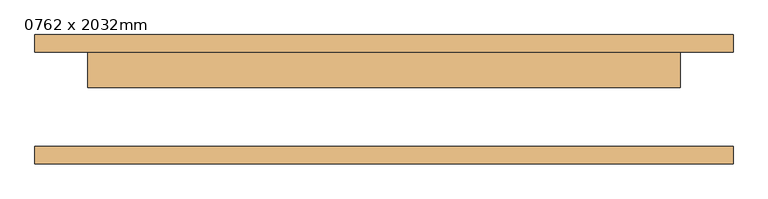
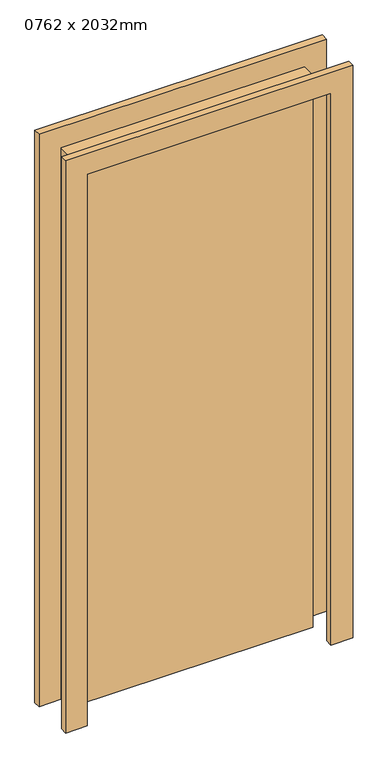
"""IFC4 building model written with IfcOpenShell, lengths in millimetres: door geometry, 0762 x 2032mm."""

from ifc_helpers import new_model, si_unit, frame, origin, origin_with_axes, place, context, project, spatial, polyline, outline, extrude, source, transform, mapped, element, save


def door_0762_x_2032mm_4b249b87(model_context):
    return source(origin(), model_context, "Body", "SweptSolid", [
        extrude(outline(polyline([(2108.0, -501.0), (0.0, -501.0), (0.0, -425.0), (2032.0, -425.0), (2032.0, 425.0), (0.0, 425.0), (0.0, 501.0), (2108.0, 501.0), (2108.0, -501.0)])), frame((0.0, 67.75, 0.0), z_axis=(0.0, 1.0, 0.0), x_axis=(0.0, 0.0, 1.0)), (0.0, 0.0, 1.0), 25.0),
        extrude(outline(polyline([(2108.0, 501.0), (2108.0, -501.0), (0.0, -501.0), (0.0, -425.0), (2032.0, -425.0), (2032.0, 425.0), (0.0, 425.0), (0.0, 501.0), (2108.0, 501.0)])), frame((0.0, -92.75, 0.0), z_axis=(0.0, 1.0, 0.0), x_axis=(0.0, 0.0, 1.0)), (0.0, 0.0, 1.0), 25.0),
        extrude(outline(polyline([(425.0, 16.75), (-425.0, 16.75), (-425.0, 67.75), (425.0, 67.75), (425.0, 16.75)])), origin_with_axes(), (0.0, 0.0, 1.0), 2032.0),
    ])


if __name__ == "__main__":
    model = new_model("IFC4")
    model_context = context("Model", 3, world=origin())
    ifc_project = project(units=[si_unit("LENGTHUNIT", "METRE", prefix="MILLI")], contexts=[model_context])
    site = spatial("IfcSite", under=ifc_project)
    building = spatial("IfcBuilding", under=site)
    placement = place(None, origin())
    door_0762_x_2032mm_shape = door_0762_x_2032mm_4b249b87(model_context)
    element("IfcDoor", 1, ObjectType="0762 x 2032mm", at=placement, inside=building, context=model_context, shape_type="MappedRepresentation", body=[
        mapped(door_0762_x_2032mm_shape, transform((0.0, 0.0, 0.0), x_axis=(1.0, 0.0, 0.0), y_axis=(0.0, 1.0, 0.0), z_axis=(0.0, 0.0, 1.0))),
    ])
    save(model, "model.ifc")
